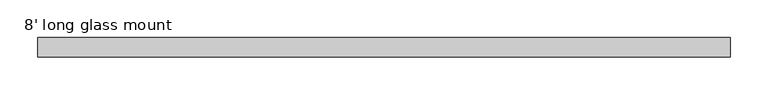
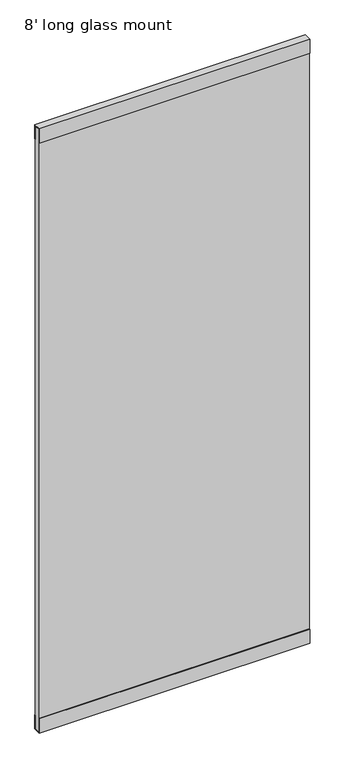
"""IFC4 building model written with IfcOpenShell, lengths in millimetres: furniture geometry, 8' long glass mount."""

from ifc_helpers import new_model, si_unit, frame, origin, place, context, project, spatial, polyline, outline, extrude, source, transform, mapped, element, save


def furniture_8_long_glass_mount_4403420f(model_context):
    return source(origin(), model_context, "Body", "SweptSolid", [
        extrude(outline(polyline([(914.4, 9.7028), (914.4, -9.7028), (0.0, -9.7028), (0.0, 9.7028), (914.4, 9.7028)])), frame((0.0, 0.0, 2.9972), z_axis=(0.0, 0.0, 1.0), x_axis=(1.0, 0.0, 0.0)), (0.0, 0.0, 1.0), 2148.2558),
        extrude(outline(polyline([(-12.7, 2154.2502), (12.7, 2154.2502), (12.7, 2103.4502), (9.7028, 2103.4502), (9.7028, 2151.253), (-9.7028, 2151.253), (-9.7028, 2103.4502), (-12.7, 2103.4502), (-12.7, 2154.2502)])), frame((0.0, 0.0, 0.0), z_axis=(1.0, 0.0, 0.0), x_axis=(0.0, 1.0, 0.0)), (0.0, 0.0, 1.0), 914.4),
        extrude(outline(polyline([(-9.7028, 50.8), (-9.7028, 2.9972), (9.7028, 2.9972), (9.7028, 50.8), (12.7, 50.8), (12.7, 0.0), (-12.7, 0.0), (-12.7, 50.8), (-9.7028, 50.8)])), frame((0.0, 0.0, 0.0), z_axis=(1.0, 0.0, 0.0), x_axis=(0.0, 1.0, 0.0)), (0.0, 0.0, 1.0), 914.4),
    ])


if __name__ == "__main__":
    model = new_model("IFC4")
    model_context = context("Model", 3, world=origin())
    ifc_project = project(units=[si_unit("LENGTHUNIT", "METRE", prefix="MILLI")], contexts=[model_context])
    site = spatial("IfcSite", under=ifc_project)
    building = spatial("IfcBuilding", under=site)
    placement = place(None, origin())
    furniture_8_long_glass_mount_shape = furniture_8_long_glass_mount_4403420f(model_context)
    element("IfcFurniture", 1, ObjectType="8' long glass mount", at=placement, inside=building, context=model_context, shape_type="MappedRepresentation", body=[
        mapped(furniture_8_long_glass_mount_shape, transform((0.0, 0.0, 0.0), x_axis=(1.0, 0.0, 0.0), y_axis=(0.0, 1.0, 0.0), z_axis=(0.0, 0.0, 1.0))),
    ])
    save(model, "model.ifc")
